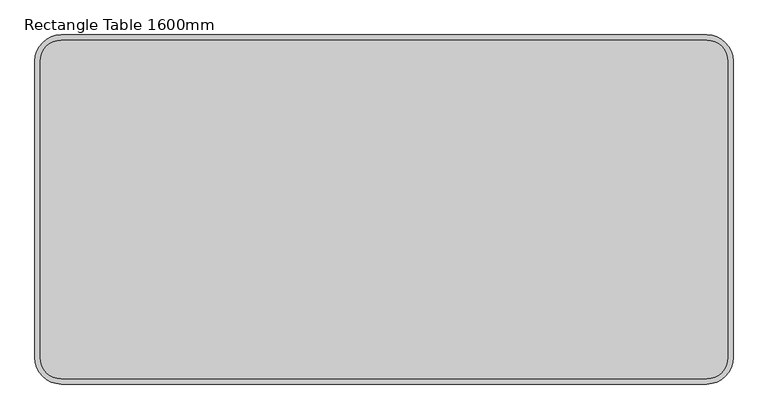
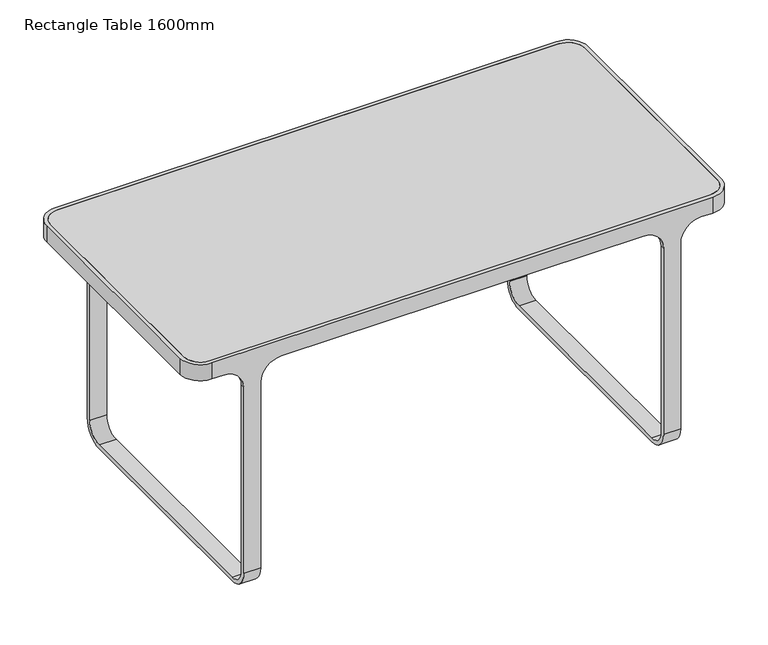
"""IFC4 building model written with IfcOpenShell, lengths in millimetres: furniture geometry, Rectangle Table 1600mm."""

from ifc_helpers import new_model, si_unit, point, frame, frame_2d, origin, place, context, project, spatial, polyline, circle_curve, trimmed, segment, composite_curve, outline, extrude, source, transform, mapped, element, save
from ifc_brep_helpers import plane_surface, cylinder_surface, revolved_surface, advanced_brep


def rectangle_table_1600mm_baf829e6(model_context):
    return source(origin(), model_context, "Body", "SolidModel", [
        extrude(outline(composite_curve([segment(polyline([(-739.9984481, 387.9998547), (739.9983419, 387.9998547)]), True, "CONTINUOUS"), segment(trimmed(circle_curve(frame_2d((739.9983419, 339.9998833)), 47.9999714), [point((739.9983419, 387.9998547))], [point((787.9983133, 339.9998833))], False, "CARTESIAN"), True, "CONTINUOUS"), segment(polyline([(787.9983133, 339.9998833), (787.9983133, -340.000007)]), True, "CONTINUOUS"), segment(trimmed(circle_curve(frame_2d((739.9983419, -340.000007)), 47.9999714), [point((787.9983133, -340.000007))], [point((739.9983419, -387.9999784))], False, "CARTESIAN"), True, "CONTINUOUS"), segment(polyline([(739.9983419, -387.9999784), (-739.9984192, -387.9999784)]), True, "CONTINUOUS"), segment(trimmed(circle_curve(frame_2d((-739.9984192, -339.999978)), 48.0000003), [point((-739.9984192, -387.9999784))], [point((-787.9984195, -339.999978))], False, "CARTESIAN"), True, "CONTINUOUS"), segment(polyline([(-787.9984195, -339.999978), (-787.9984195, 339.9998833)]), True, "CONTINUOUS"), segment(trimmed(circle_curve(frame_2d((-739.9984481, 339.9998833)), 47.9999714), [point((-787.9984195, 339.9998833))], [point((-739.9984481, 387.9998547))], False, "CARTESIAN"), True, "CONTINUOUS")], self_intersect=False), holes=[composite_curve([segment(polyline([(-775.9984195, 339.9998833), (-775.9984195, -339.999978)]), True, "CONTINUOUS"), segment(trimmed(circle_curve(frame_2d((-739.9984192, -339.999978)), 36.0000003), [point((-775.9984195, -339.999978))], [point((-739.9984192, -375.9999784))], True, "CARTESIAN"), True, "CONTINUOUS"), segment(polyline([(-739.9984192, -375.9999784), (739.9983419, -375.9999784)]), True, "CONTINUOUS"), segment(trimmed(circle_curve(frame_2d((739.9983419, -340.000007)), 35.9999714), [point((739.9983419, -375.9999784))], [point((775.9983133, -340.000007))], True, "CARTESIAN"), True, "CONTINUOUS"), segment(polyline([(775.9983133, -340.000007), (775.9983133, 339.9998833)]), True, "CONTINUOUS"), segment(trimmed(circle_curve(frame_2d((739.9983419, 339.9998833)), 35.9999714), [point((775.9983133, 339.9998833))], [point((739.9983419, 375.9998547))], True, "CARTESIAN"), True, "CONTINUOUS"), segment(polyline([(739.9983419, 375.9998547), (-739.9984481, 375.9998547)]), True, "CONTINUOUS"), segment(trimmed(circle_curve(frame_2d((-739.9984481, 339.9998833)), 35.9999714), [point((-739.9984481, 375.9998547))], [point((-775.9984195, 339.9998833))], True, "CARTESIAN"), True, "CONTINUOUS")], self_intersect=False)]), frame((0.0, 0.0, 716.0775561), z_axis=(0.0, 0.0, 1.0), x_axis=(1.0, 0.0, 0.0)), (0.0, 0.0, 1.0), 15.9223674),
        extrude(outline(composite_curve([segment(trimmed(circle_curve(frame_2d((739.9983419, -340.000007)), 47.9999714), [point((787.9983133, -340.000007))], [point((739.9983419, -387.9999784))], False, "CARTESIAN"), True, "CONTINUOUS"), segment(polyline([(739.9983419, -387.9999784), (-739.9984192, -387.9999784)]), True, "CONTINUOUS"), segment(trimmed(circle_curve(frame_2d((-739.9984192, -339.999978)), 48.0000003), [point((-739.9984192, -387.9999784))], [point((-787.9984195, -339.999978))], False, "CARTESIAN"), True, "CONTINUOUS"), segment(polyline([(-787.9984195, -339.999978), (-787.9984195, 339.9998833)]), True, "CONTINUOUS"), segment(trimmed(circle_curve(frame_2d((-739.9984481, 339.9998833)), 47.9999714), [point((-787.9984195, 339.9998833))], [point((-739.9984481, 387.9998547))], False, "CARTESIAN"), True, "CONTINUOUS"), segment(polyline([(-739.9984481, 387.9998547), (739.9983419, 387.9998547)]), True, "CONTINUOUS"), segment(trimmed(circle_curve(frame_2d((739.9983419, 339.9998833)), 47.9999714), [point((739.9983419, 387.9998547))], [point((787.9983133, 339.9998833))], False, "CARTESIAN"), True, "CONTINUOUS"), segment(polyline([(787.9983133, 339.9998833), (787.9983133, -340.000007)]), True, "CONTINUOUS")], self_intersect=False)), frame((0.0, 0.0, 731.9999961), z_axis=(0.0, 0.0, 1.0), x_axis=(1.0, 0.0, 0.0)), (0.0, 0.0, 1.0), 17.9406564),
        advanced_brep(
        [(739.9984286, 400.0, 750.0), (-739.9984286, 400.0, 750.0), (-799.9984, 340.0000286, 750.0), (-799.9984, -339.9999997, 750.0), (-739.9983997, -400.0, 750.0), (739.9984286, -400.0, 750.0), (799.9984, -340.0000286, 750.0), (799.9984, 340.0000286, 750.0), (739.9983419, 387.9998547, 750.0), (787.9983133, 339.9998833, 750.0), (787.9983133, -340.000007, 750.0), (739.9983395, -387.9999784, 750.0), (-739.9984216, -387.9999784, 750.0), (-787.9984195, -339.999978, 750.0), (-787.9984195, 339.9998833, 750.0), (-739.9984481, 387.9998547, 750.0), (739.9984286, 400.0, 700.0), (704.9985167, 400.0, 700.0), (644.9984, 400.0, 639.9998833), (644.9984, 400.0, 60.0000412), (594.9984, 400.0, 60.0000412), (594.9984, 400.0, 639.9998833), (534.9982833, 400.0, 700.0), (-534.9983559, 400.0, 700.0), (-594.9984, 400.0, 639.9999559), (-594.9984, 400.0, 60.0000412), (-644.9984, 400.0, 60.0000412), (-644.9984, 400.0, 639.9998833), (-704.9985167, 400.0, 700.0), (-739.9984286, 400.0, 700.0), (-799.9984, 340.0000286, 700.0), (-799.9984, -339.9999997, 700.0), (-739.9983997, -400.0, 700.0), (-704.9985167, -400.0, 700.0), (-644.9984, -400.0, 639.9998833), (-644.9984, -400.0, 59.9983171), (-594.9984, -400.0, 59.9983171), (-594.9984, -400.0, 639.9999559), (-534.9983559, -400.0, 700.0), (534.9982833, -400.0, 700.0), (594.9984, -400.0, 639.9998833), (594.9984, -400.0, 59.9983171), (644.9984, -400.0, 59.9983171), (644.9984, -400.0, 639.9998833), (704.9985167, -400.0, 700.0), (739.9984286, -400.0, 700.0), (799.9984, -340.0000286, 700.0), (799.9984, 340.0000286, 700.0), (739.9983419, 387.9998547, 700.0), (787.9983133, 339.9998833, 700.0), (-739.9984481, 387.9998547, 700.0), (-704.9985167, 387.9998547, 700.0), (-644.9984, 387.9998547, 639.9998833), (-644.9984, 387.9998547, 59.9960078), (-594.9984, 387.9998547, 59.9960078), (-594.9984, 387.9998547, 639.9999559), (-534.9983559, 387.9998547, 700.0), (534.9982833, 387.9998547, 700.0), (594.9984, 387.9998547, 639.9998833), (594.9984, 387.9998547, 59.9960078), (644.9984, 387.9998547, 59.9960078), (644.9984, 387.9998547, 639.9998833), (704.9985167, 387.9998547, 700.0), (-787.9984195, 339.9998833, 700.0), (-787.9984195, -339.999978, 700.0), (-739.9984216, -387.9999784, 700.0), (739.9983395, -387.9999784, 700.0), (704.9985167, -387.9999784, 700.0), (644.9984, -387.9999784, 639.9998833), (644.9984, -387.9999784, 59.9961315), (594.9984, -387.9999784, 59.9961315), (594.9984, -387.9999784, 639.9998833), (534.9982833, -387.9999784, 700.0), (-534.9983559, -387.9999784, 700.0), (-594.9984, -387.9999784, 639.9999559), (-594.9984, -387.9999784, 59.9961315), (-644.9984, -387.9999784, 59.9961315), (-644.9984, -387.9999784, 639.9998833), (-704.9985167, -387.9999784, 700.0), (787.9983133, -340.000007, 700.0), (644.9984, -340.0016829, 0.0), (644.9984, 339.9999588, 0.0), (644.9984, 340.0039165, 12.0000697), (644.9984, -340.0039165, 12.0000697), (-644.9984, -340.0039165, 12.0000697), (-644.9984, 340.0039165, 12.0000697), (-644.9984, 339.9999588, 0.0), (-644.9984, -340.0016829, 0.0), (594.9984, -340.0016829, 0.0), (-594.9984, -340.0016829, 0.0), (594.9984, 339.9999588, 0.0), (-594.9984, 339.9999588, 0.0), (594.9984, 340.0039165, 12.0000697), (-594.9984, 340.0039165, 12.0000697), (594.9984, -340.0039165, 12.0000697), (-594.9984, -340.0039165, 12.0000697)],
        [
            (0, 1),
            (1, 2, circle_curve(frame((-739.9984286, 340.0000286, 750.0), z_axis=(0.0, 0.0, 1.0), x_axis=(1.0, 0.0, 0.0)), 59.9999714)),
            (2, 3),
            (3, 4, circle_curve(frame((-739.9983997, -339.9999997, 750.0), z_axis=(0.0, 0.0, 1.0), x_axis=(1.0, 0.0, 0.0)), 60.0000003)),
            (4, 5),
            (5, 6, circle_curve(frame((739.9984286, -340.0000286, 750.0), z_axis=(0.0, 0.0, 1.0), x_axis=(1.0, 0.0, 0.0)), 59.9999714)),
            (6, 7),
            (7, 0, circle_curve(frame((739.9984286, 340.0000286, 750.0), z_axis=(0.0, 0.0, 1.0), x_axis=(1.0, 0.0, 0.0)), 59.9999714)),
            (8, 9, circle_curve(frame((739.9983419, 339.9998833, 750.0), z_axis=(0.0, 0.0, -1.0), x_axis=(1.0, 0.0, 0.0)), 47.9999714)),
            (9, 10),
            (10, 11, circle_curve(frame((739.9983419, -340.000007, 750.0), z_axis=(0.0, 0.0, -1.0), x_axis=(1.0, 0.0, 0.0)), 47.9999714)),
            (11, 12),
            (12, 13, circle_curve(frame((-739.9984192, -339.999978, 750.0), z_axis=(0.0, 0.0, -1.0), x_axis=(1.0, 0.0, 0.0)), 48.0000003)),
            (13, 14),
            (14, 15, circle_curve(frame((-739.9984481, 339.9998833, 750.0), z_axis=(0.0, 0.0, -1.0), x_axis=(1.0, 0.0, 0.0)), 47.9999714)),
            (15, 8),
            (0, 16),
            (16, 17),
            (17, 18, circle_curve(frame((704.9985167, 400.0, 639.9998833), z_axis=(0.0, -1.0, 0.0), x_axis=(1.0, 0.0, 0.0)), 60.0001167)),
            (18, 19),
            (19, 20),
            (20, 21),
            (21, 22, circle_curve(frame((534.9982833, 400.0, 639.9998833), z_axis=(0.0, -1.0, 0.0), x_axis=(1.0, 0.0, 0.0)), 60.0001167)),
            (22, 23),
            (23, 24, circle_curve(frame((-534.9983559, 400.0, 639.9999559), z_axis=(0.0, -1.0, 0.0), x_axis=(1.0, 0.0, 0.0)), 60.0000441)),
            (24, 25),
            (25, 26),
            (26, 27),
            (27, 28, circle_curve(frame((-704.9985167, 400.0, 639.9998833), z_axis=(0.0, -1.0, 0.0), x_axis=(1.0, 0.0, 0.0)), 60.0001167)),
            (28, 29),
            (29, 1),
            (29, 30, circle_curve(frame((-739.9984286, 340.0000286, 700.0), z_axis=(0.0, 0.0, 1.0), x_axis=(1.0, 0.0, 0.0)), 59.9999714)),
            (30, 2),
            (30, 31),
            (31, 3),
            (31, 32, circle_curve(frame((-739.9983997, -339.9999997, 700.0), z_axis=(0.0, 0.0, 1.0), x_axis=(1.0, 0.0, 0.0)), 60.0000003)),
            (32, 4),
            (32, 33),
            (33, 34, circle_curve(frame((-704.9985167, -400.0, 639.9998833), z_axis=(0.0, 1.0, 0.0), x_axis=(1.0, 0.0, 0.0)), 60.0001167)),
            (34, 35),
            (35, 36),
            (36, 37),
            (37, 38, circle_curve(frame((-534.9983559, -400.0, 639.9999559), z_axis=(0.0, 1.0, 0.0), x_axis=(1.0, 0.0, 0.0)), 60.0000441)),
            (38, 39),
            (39, 40, circle_curve(frame((534.9982833, -400.0, 639.9998833), z_axis=(0.0, 1.0, 0.0), x_axis=(1.0, 0.0, 0.0)), 60.0001167)),
            (40, 41),
            (41, 42),
            (42, 43),
            (43, 44, circle_curve(frame((704.9985167, -400.0, 639.9998833), z_axis=(0.0, 1.0, 0.0), x_axis=(1.0, 0.0, 0.0)), 60.0001167)),
            (44, 45),
            (45, 5),
            (45, 46, circle_curve(frame((739.9984286, -340.0000286, 700.0), z_axis=(0.0, 0.0, 1.0), x_axis=(1.0, 0.0, 0.0)), 59.9999714)),
            (46, 6),
            (46, 47),
            (47, 7),
            (47, 16, circle_curve(frame((739.9984286, 340.0000286, 700.0), z_axis=(0.0, 0.0, 1.0), x_axis=(1.0, 0.0, 0.0)), 59.9999714)),
            (8, 48),
            (48, 49, circle_curve(frame((739.9983419, 339.9998833, 700.0), z_axis=(0.0, 0.0, -1.0), x_axis=(1.0, 0.0, 0.0)), 47.9999714)),
            (49, 9),
            (15, 50),
            (50, 51),
            (51, 52, circle_curve(frame((-704.9985167, 387.9998547, 639.9998833), z_axis=(0.0, 1.0, 0.0), x_axis=(1.0, 0.0, 0.0)), 60.0001167)),
            (52, 53),
            (53, 54),
            (54, 55),
            (55, 56, circle_curve(frame((-534.9983559, 387.9998547, 639.9999559), z_axis=(0.0, 1.0, 0.0), x_axis=(1.0, 0.0, 0.0)), 60.0000441)),
            (56, 57),
            (57, 58, circle_curve(frame((534.9982833, 387.9998547, 639.9998833), z_axis=(0.0, 1.0, 0.0), x_axis=(1.0, 0.0, 0.0)), 60.0001167)),
            (58, 59),
            (59, 60),
            (60, 61),
            (61, 62, circle_curve(frame((704.9985167, 387.9998547, 639.9998833), z_axis=(0.0, 1.0, 0.0), x_axis=(1.0, 0.0, 0.0)), 60.0001167)),
            (62, 48),
            (14, 63),
            (63, 50, circle_curve(frame((-739.9984481, 339.9998833, 700.0), z_axis=(0.0, 0.0, -1.0), x_axis=(1.0, 0.0, 0.0)), 47.9999714)),
            (13, 64),
            (64, 63),
            (12, 65),
            (65, 64, circle_curve(frame((-739.9984192, -339.999978, 700.0), z_axis=(0.0, 0.0, -1.0), x_axis=(1.0, 0.0, 0.0)), 48.0000003)),
            (11, 66),
            (66, 67),
            (67, 68, circle_curve(frame((704.9985167, -387.9999784, 639.9998833), z_axis=(0.0, -1.0, 0.0), x_axis=(1.0, 0.0, 0.0)), 60.0001167)),
            (68, 69),
            (69, 70),
            (70, 71),
            (71, 72, circle_curve(frame((534.9982833, -387.9999784, 639.9998833), z_axis=(0.0, -1.0, 0.0), x_axis=(1.0, 0.0, 0.0)), 60.0001167)),
            (72, 73),
            (73, 74, circle_curve(frame((-534.9983559, -387.9999784, 639.9999559), z_axis=(0.0, -1.0, 0.0), x_axis=(1.0, 0.0, 0.0)), 60.0000441)),
            (74, 75),
            (75, 76),
            (76, 77),
            (77, 78, circle_curve(frame((-704.9985167, -387.9999784, 639.9998833), z_axis=(0.0, -1.0, 0.0), x_axis=(1.0, 0.0, 0.0)), 60.0001167)),
            (78, 65),
            (10, 79),
            (79, 66, circle_curve(frame((739.9983419, -340.000007, 700.0), z_axis=(0.0, 0.0, -1.0), x_axis=(1.0, 0.0, 0.0)), 47.9999714)),
            (49, 79),
            (42, 80, circle_curve(frame((644.9984, -340.0016829, 59.9983171), z_axis=(1.0, 0.0, 0.0), x_axis=(0.0, 1.0, 0.0)), 59.9983171)),
            (80, 81),
            (81, 19, circle_curve(frame((644.9984, 339.9999588, 60.0000412), z_axis=(1.0, 0.0, 0.0), x_axis=(0.0, 1.0, 0.0)), 60.0000412)),
            (18, 61),
            (60, 82, circle_curve(frame((644.9984, 340.0039165, 59.9960078), z_axis=(-1.0, 0.0, 0.0), x_axis=(0.0, 1.0, 0.0)), 47.9959382)),
            (82, 83),
            (83, 69, circle_curve(frame((644.9984, -340.0039165, 59.9961315), z_axis=(-1.0, 0.0, 0.0), x_axis=(0.0, 1.0, 0.0)), 47.9960619)),
            (68, 43),
            (76, 84, circle_curve(frame((-644.9984, -340.0039165, 59.9961315), z_axis=(1.0, 0.0, 0.0), x_axis=(0.0, 1.0, 0.0)), 47.9960619)),
            (84, 85),
            (85, 53, circle_curve(frame((-644.9984, 340.0039165, 59.9960078), z_axis=(1.0, 0.0, 0.0), x_axis=(0.0, 1.0, 0.0)), 47.9959382)),
            (52, 27),
            (26, 86, circle_curve(frame((-644.9984, 339.9999588, 60.0000412), z_axis=(-1.0, 0.0, 0.0), x_axis=(0.0, 1.0, 0.0)), 60.0000412)),
            (86, 87),
            (87, 35, circle_curve(frame((-644.9984, -340.0016829, 59.9983171), z_axis=(-1.0, 0.0, 0.0), x_axis=(0.0, 1.0, 0.0)), 59.9983171)),
            (34, 77),
            (41, 88, circle_curve(frame((594.9984, -340.0016829, 59.9983171), z_axis=(1.0, 0.0, 0.0), x_axis=(0.0, 1.0, 0.0)), 59.9983171)),
            (88, 80),
            (87, 89),
            (89, 36, circle_curve(frame((-594.9984, -340.0016829, 59.9983171), z_axis=(-1.0, 0.0, 0.0), x_axis=(0.0, 1.0, 0.0)), 59.9983171)),
            (88, 90),
            (90, 81),
            (86, 91),
            (91, 89),
            (90, 20, circle_curve(frame((594.9984, 339.9999588, 60.0000412), z_axis=(1.0, 0.0, 0.0), x_axis=(0.0, 1.0, 0.0)), 60.0000412)),
            (25, 91, circle_curve(frame((-594.9984, 339.9999588, 60.0000412), z_axis=(-1.0, 0.0, 0.0), x_axis=(0.0, 1.0, 0.0)), 60.0000412)),
            (59, 92, circle_curve(frame((594.9984, 340.0039165, 59.9960078), z_axis=(-1.0, 0.0, 0.0), x_axis=(0.0, 1.0, 0.0)), 47.9959382)),
            (92, 82),
            (85, 93),
            (93, 54, circle_curve(frame((-594.9984, 340.0039165, 59.9960078), z_axis=(1.0, 0.0, 0.0), x_axis=(0.0, 1.0, 0.0)), 47.9959382)),
            (92, 94),
            (94, 83),
            (84, 95),
            (95, 93),
            (94, 70, circle_curve(frame((594.9984, -340.0039165, 59.9961315), z_axis=(-1.0, 0.0, 0.0), x_axis=(0.0, 1.0, 0.0)), 47.9960619)),
            (75, 95, circle_curve(frame((-594.9984, -340.0039165, 59.9961315), z_axis=(1.0, 0.0, 0.0), x_axis=(0.0, 1.0, 0.0)), 47.9960619)),
            (62, 17),
            (44, 67),
            (58, 21),
            (40, 71),
            (57, 22),
            (39, 72),
            (56, 23),
            (38, 73),
            (55, 24),
            (37, 74),
            (51, 28),
            (33, 78),
        ],
        [
            plane_surface(frame((-739.9984286, 400.0, 750.0), z_axis=(0.0, 0.0, 1.0), x_axis=(-1.0, 0.0, 0.0))),
            plane_surface(frame((739.9984286, 400.0, 750.0), z_axis=(0.0, 1.0, 0.0), x_axis=(0.0, 0.0, -1.0))),
            cylinder_surface(frame((-739.9984286, 340.0000286, 120.663406), z_axis=(0.0, 0.0, 1.0), x_axis=(1.0, 0.0, 0.0)), 59.9999714),
            plane_surface(frame((-799.9984, 340.0000286, 750.0), z_axis=(-1.0, 0.0, 0.0), x_axis=(0.0, 0.0, -1.0))),
            cylinder_surface(frame((-739.9983997, -339.9999997, 120.663406), z_axis=(0.0, 0.0, 1.0), x_axis=(1.0, 0.0, 0.0)), 60.0000003),
            plane_surface(frame((-739.9983997, -400.0, 750.0), z_axis=(0.0, -1.0, 0.0), x_axis=(0.0, 0.0, -1.0))),
            cylinder_surface(frame((739.9984286, -340.0000286, 120.663406), z_axis=(0.0, 0.0, 1.0), x_axis=(1.0, 0.0, 0.0)), 59.9999714),
            plane_surface(frame((799.9984, -340.0000286, 750.0), z_axis=(1.0, 0.0, 0.0), x_axis=(0.0, 0.0, -1.0))),
            cylinder_surface(frame((739.9984286, 340.0000286, 120.663406), z_axis=(0.0, 0.0, 1.0), x_axis=(1.0, 0.0, 0.0)), 59.9999714),
            revolved_surface(polyline([(787.9983133000001, 339.9998833, 750.0), (787.9983133000001, 339.9998833, 700.0)]), (739.9983419, 339.9998833, 0.0), (0.0, 0.0, 1.0)),
            plane_surface(frame((739.9983419, 387.9998547, 750.0), z_axis=(0.0, -1.0, 0.0), x_axis=(0.0, 0.0, -1.0))),
            revolved_surface(polyline([(-691.9984767, 339.9998833, 750.0), (-691.9984767, 339.9998833, 700.0)]), (-739.9984481, 339.9998833, 0.0), (0.0, 0.0, 1.0)),
            plane_surface(frame((-787.9984195, 339.9998833, 750.0), z_axis=(1.0, 0.0, 0.0), x_axis=(0.0, 0.0, -1.0))),
            revolved_surface(polyline([(-691.9984188999999, -339.999978, 750.0), (-691.9984188999999, -339.999978, 700.0)]), (-739.9984192, -339.999978, 0.0), (0.0, 0.0, 1.0)),
            plane_surface(frame((-739.9984216, -387.9999784, 750.0), z_axis=(0.0, 1.0, 0.0), x_axis=(0.0, 0.0, -1.0))),
            revolved_surface(polyline([(787.9983133000001, -340.000007, 750.0), (787.9983133000001, -340.000007, 700.0)]), (739.9983419, -340.000007, 0.0), (0.0, 0.0, 1.0)),
            plane_surface(frame((787.9983133, -340.000007, 750.0), z_axis=(-1.0, 0.0, 0.0), x_axis=(0.0, 0.0, -1.0))),
            plane_surface(frame((644.9984, -400.0, 120.663406), z_axis=(1.0, 0.0, 0.0), x_axis=(0.0, 0.0, -1.0))),
            plane_surface(frame((-644.9984, -400.0, 120.663406), z_axis=(-1.0, 0.0, 0.0), x_axis=(0.0, 0.0, 1.0))),
            cylinder_surface(frame((-644.9984, -340.0016829, 59.9983171), z_axis=(1.0, 0.0, 0.0), x_axis=(0.0, 1.0, 0.0)), 59.9983171),
            plane_surface(frame((644.9984, -340.0016829, 0.0), z_axis=(0.0, 0.0, -1.0), x_axis=(-1.0, 0.0, 0.0))),
            cylinder_surface(frame((-644.9984, 339.9999588, 60.0000412), z_axis=(1.0, 0.0, 0.0), x_axis=(0.0, 1.0, 0.0)), 60.0000412),
            revolved_surface(polyline([(594.9984, 387.9998547, 59.9960078), (644.9984, 387.9998547, 59.9960078)]), (-644.9984, 340.0039165, 59.9960078), (-1.0, 0.0, 0.0)),
            revolved_surface(polyline([(-644.9984, 387.9998547, 59.9960078), (-594.9984, 387.9998547, 59.9960078)]), (-644.9984, 340.0039165, 59.9960078), (-1.0, 0.0, 0.0)),
            plane_surface(frame((644.9984, 340.0039165, 12.0000697), z_axis=(0.0, 0.0, 1.0), x_axis=(-1.0, 0.0, 0.0))),
            revolved_surface(polyline([(594.9984, -292.0078546, 59.9961315), (644.9984, -292.0078546, 59.9961315)]), (-644.9984, -340.0039165, 59.9961315), (-1.0, 0.0, 0.0)),
            revolved_surface(polyline([(-644.9984, -292.0078546, 59.9961315), (-594.9984, -292.0078546, 59.9961315)]), (-644.9984, -340.0039165, 59.9961315), (-1.0, 0.0, 0.0)),
            plane_surface(frame((799.9984, -400.0, 700.0), z_axis=(0.0, 0.0, -1.0), x_axis=(0.0, 1.0, 0.0))),
            plane_surface(frame((594.9984, -400.0, -30.0000492), z_axis=(-1.0, 0.0, 0.0), x_axis=(0.0, 1.0, 0.0))),
            revolved_surface(polyline([(594.9984000000001, 387.9998547, 639.9998833), (594.9984000000001, 400.0, 639.9998833)]), (534.9982833, 0.0, 639.9998833), (0.0, -1.0, 0.0)),
            revolved_surface(polyline([(594.9984000000001, -400.0, 639.9998833), (594.9984000000001, -387.9999784, 639.9998833)]), (534.9982833, 0.0, 639.9998833), (0.0, -1.0, 0.0)),
            plane_surface(frame((534.9982833, -400.0, 700.0), z_axis=(0.0, 0.0, -1.0), x_axis=(0.0, 1.0, 0.0))),
            revolved_surface(polyline([(-474.9983118, 387.9998547, 639.9999559), (-474.9983118, 400.0, 639.9999559)]), (-534.9983559, 0.0, 639.9999559), (0.0, -1.0, 0.0)),
            revolved_surface(polyline([(-474.9983118, -400.0, 639.9999559), (-474.9983118, -387.9999784, 639.9999559)]), (-534.9983559, 0.0, 639.9999559), (0.0, -1.0, 0.0)),
            plane_surface(frame((-594.9984, -400.0, 639.9999559), z_axis=(1.0, 0.0, 0.0), x_axis=(0.0, 1.0, 0.0))),
            revolved_surface(polyline([(764.9986334, 387.9998547, 639.9998833), (764.9986334, 400.0, 639.9998833)]), (704.9985167, 400.0, 639.9998833), (0.0, -1.0, 0.0)),
            revolved_surface(polyline([(764.9986334, -400.0, 639.9998833), (764.9986334, -387.9999783999999, 639.9998833)]), (704.9985167, 400.0, 639.9998833), (0.0, -1.0, 0.0)),
            revolved_surface(polyline([(-644.9984, 387.9998547, 639.9998833), (-644.9984, 400.0, 639.9998833)]), (-704.9985167, 0.0, 639.9998833), (0.0, -1.0, 0.0)),
            revolved_surface(polyline([(-644.9984, -400.0, 639.9998833), (-644.9984, -387.9999784, 639.9998833)]), (-704.9985167, 0.0, 639.9998833), (0.0, -1.0, 0.0)),
            plane_surface(frame((-704.9985167, -400.0, 700.0), z_axis=(0.0, 0.0, -1.0), x_axis=(0.0, 1.0, 0.0))),
        ],
        [
            (0, [[1, 2, 3, 4, 5, 6, 7, 8], [9, 10, 11, 12, 13, 14, 15, 16]]),
            (1, [[-1, 17, 18, 19, 20, 21, 22, 23, 24, 25, 26, 27, 28, 29, 30, 31]]),
            (2, [[-2, -31, 32, 33]]),
            (3, [[-3, -33, 34, 35]]),
            (4, [[-4, -35, 36, 37]]),
            (5, [[-5, -37, 38, 39, 40, 41, 42, 43, 44, 45, 46, 47, 48, 49, 50, 51]]),
            (6, [[-6, -51, 52, 53]]),
            (7, [[-7, -53, 54, 55]]),
            (8, [[-8, -55, 56, -17]]),
            (9, [[-9, 57, 58, 59]]),
            (10, [[-16, 60, 61, 62, 63, 64, 65, 66, 67, 68, 69, 70, 71, 72, 73, -57]]),
            (11, [[-15, 74, 75, -60]]),
            (12, [[-14, 76, 77, -74]]),
            (13, [[-13, 78, 79, -76]]),
            (14, [[-12, 80, 81, 82, 83, 84, 85, 86, 87, 88, 89, 90, 91, 92, 93, -78]]),
            (15, [[-11, 94, 95, -80]]),
            (16, [[-10, -59, 96, -94]]),
            (17, [[97, 98, 99, -20, 100, -71, 101, 102, 103, -83, 104, -48]]),
            (18, [[105, 106, 107, -63, 108, -28, 109, 110, 111, -40, 112, -91]]),
            (19, [[-97, -47, 113, 114]]),
            (19, [[-111, 115, 116, -41]]),
            (20, [[-98, -114, 117, 118]]),
            (20, [[-110, 119, 120, -115]]),
            (21, [[-99, -118, 121, -21]]),
            (21, [[-109, -27, 122, -119]]),
            (22, [[-101, -70, 123, 124]]),
            (23, [[-107, 125, 126, -64]]),
            (24, [[-102, -124, 127, 128]]),
            (24, [[-106, 129, 130, -125]]),
            (25, [[-103, -128, 131, -84]]),
            (26, [[-105, -90, 132, -129]]),
            (27, [[133, -18, -56, -54, -52, -50, 134, -81, -95, -96, -58, -73]]),
            (28, [[135, -22, -121, -117, -113, -46, 136, -85, -131, -127, -123, -69]]),
            (29, [[-135, -68, 137, -23]]),
            (30, [[-136, -45, 138, -86]]),
            (31, [[-137, -67, 139, -24]]),
            (31, [[-138, -44, 140, -87]]),
            (32, [[-139, -66, 141, -25]]),
            (33, [[-140, -43, 142, -88]]),
            (34, [[-141, -65, -126, -130, -132, -89, -142, -42, -116, -120, -122, -26]]),
            (35, [[-100, -19, -133, -72]]),
            (36, [[-104, -82, -134, -49]]),
            (37, [[-108, -62, 143, -29]]),
            (38, [[-112, -39, 144, -92]]),
            (39, [[-143, -61, -75, -77, -79, -93, -144, -38, -36, -34, -32, -30]]),
        ],
    ),
    ])


if __name__ == "__main__":
    model = new_model("IFC4")
    model_context = context("Model", 3, world=origin())
    ifc_project = project(units=[si_unit("LENGTHUNIT", "METRE", prefix="MILLI")], contexts=[model_context])
    site = spatial("IfcSite", under=ifc_project)
    building = spatial("IfcBuilding", under=site)
    placement = place(None, origin())
    rectangle_table_1600mm_shape = rectangle_table_1600mm_baf829e6(model_context)
    element("IfcFurniture", 1, ObjectType="Rectangle Table 1600mm", at=placement, inside=building, context=model_context, shape_type="MappedRepresentation", body=[
        mapped(rectangle_table_1600mm_shape, transform((0.0, 0.0, 0.0), x_axis=(1.0, 0.0, 0.0), y_axis=(0.0, 1.0, 0.0), z_axis=(0.0, 0.0, 1.0))),
    ])
    save(model, "model.ifc")
